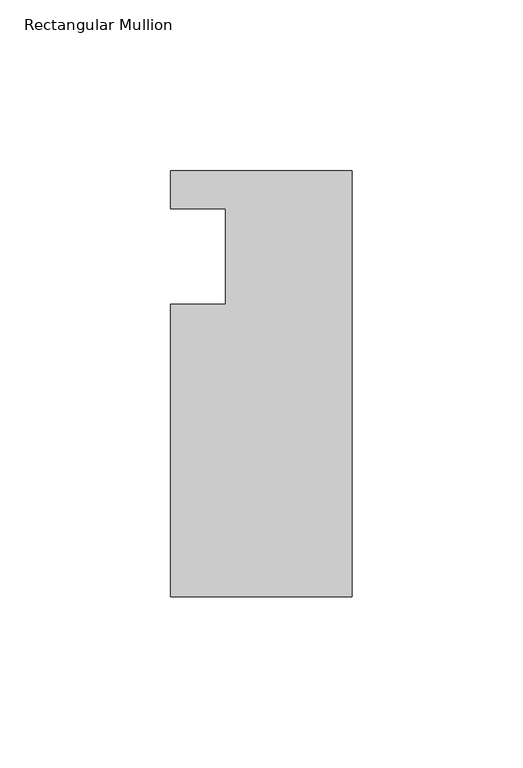
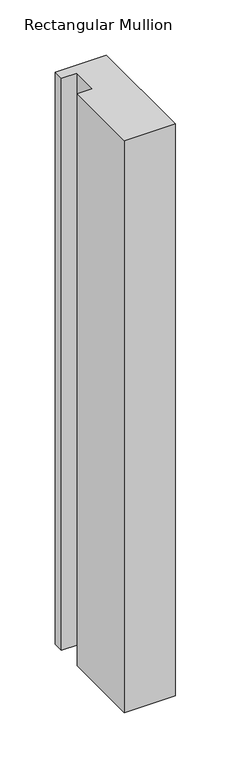
"""IFC4 building model written with IfcOpenShell, lengths in millimetres: member geometry, Rectangular Mullion."""

from ifc_helpers import new_model, si_unit, frame, origin, place, context, project, spatial, polyline, outline, extrude, source, transform, mapped, element, save


def rectangular_mullion_d496b073(model_context):
    return source(origin(), model_context, "Body", "SweptSolid", [
        extrude(outline(polyline([(0.0, 25.0), (0.0, -99.5), (-53.0, -99.5), (-53.0, -14.0), (-37.0, -14.0), (-37.0, 14.0), (-53.0, 14.0), (-53.0, 25.0), (0.0, 25.0)])), frame((0.0, 0.0, -629.9940421), z_axis=(0.0, 0.0, 1.0), x_axis=(1.0, 0.0, 0.0)), (0.0, 0.0, 1.0), 629.9940421),
    ])


if __name__ == "__main__":
    model = new_model("IFC4")
    model_context = context("Model", 3, world=origin())
    ifc_project = project(units=[si_unit("LENGTHUNIT", "METRE", prefix="MILLI")], contexts=[model_context])
    site = spatial("IfcSite", under=ifc_project)
    building = spatial("IfcBuilding", under=site)
    placement = place(None, origin())
    rectangular_mullion_shape = rectangular_mullion_d496b073(model_context)
    element("IfcMember", 1, ObjectType="Rectangular Mullion", at=placement, inside=building, context=model_context, shape_type="MappedRepresentation", body=[
        mapped(rectangular_mullion_shape, transform((0.0, 0.0, 0.0), x_axis=(1.0, 0.0, 0.0), y_axis=(0.0, 1.0, 0.0), z_axis=(0.0, 0.0, 1.0))),
    ])
    save(model, "model.ifc")
